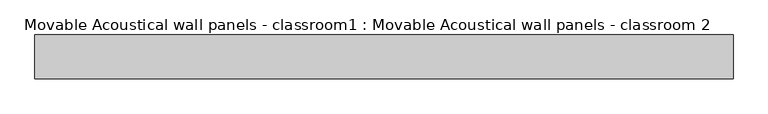
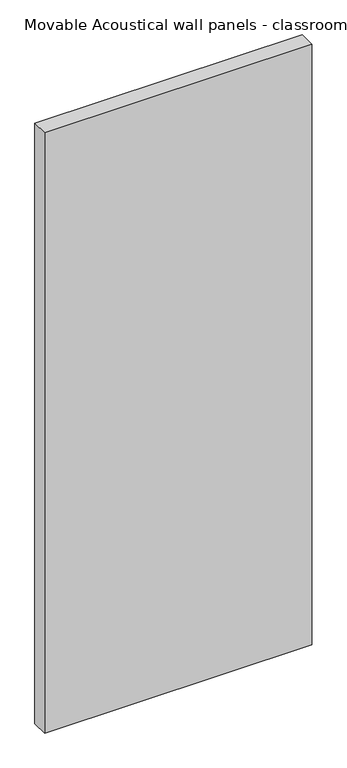
"""IFC4 building model written with IfcOpenShell, lengths in millimetres: proxy geometry, Movable Acoustical wall panels - classroom1 : Movable Acoustical wall panels - classroom 2."""

import ifcopenshell
import ifcopenshell.guid

model = None  # the IFC model being written
_history = None  # IfcOwnerHistory: only IFC2X3 demands one
_inside = {}  # id of a spatial element -> (the spatial element, [elements in it])
_under = {}  # id of a project, library or spatial element -> (it, [spatial elements below it])
_declared = {}  # id of a project -> (the project, [libraries it declares])
_typed = {}  # id of a type object -> (the type object, [elements of that type])
_made_of = {}  # id of a material, layer set ... -> (it, [elements and type objects made of it])


def new_model(schema):
    """Start an empty IFC model of exactly this schema.

    Asked for "IFC4X3", IfcOpenShell would pick the latest addendum, in which some entities
    have other attributes; the version numbers below select the first issue.
    IFC2X3 requires an IfcOwnerHistory on every rooted entity: one is made here for all.
    """
    global model, _history
    if schema == "IFC4X3":
        model = ifcopenshell.file(schema_version=(4, 3, 0, 0))
    else:
        model = ifcopenshell.file(schema=schema)
    _inside.clear()
    _under.clear()
    _declared.clear()
    _typed.clear()
    _made_of.clear()
    _history = None
    if model.schema == "IFC2X3":
        org = make("IfcOrganization", Name="unknown")
        user = make(
            "IfcPersonAndOrganization",
            ThePerson=make("IfcPerson", FamilyName="unknown"),
            TheOrganization=org,
        )
        app = make(
            "IfcApplication",
            ApplicationDeveloper=org,
            Version="unknown",
            ApplicationFullName="unknown",
            ApplicationIdentifier="unknown",
        )
        _history = make(
            "IfcOwnerHistory",
            OwningUser=user,
            OwningApplication=app,
            ChangeAction="ADDED",
            CreationDate=0,
        )
    return model


def make(cls, **values):
    """One entity of the class cls with the attributes given. An attribute that is None is left unset."""
    return model.create_entity(
        cls, **{name: value for name, value in values.items() if value is not None}
    )


def rooted(cls, **values):
    """An entity with a GlobalId (a new one), such as an element, a storey or a relation."""
    return make(cls, GlobalId=ifcopenshell.guid.new(), OwnerHistory=_history, **values)


def si_unit(unit_type, name, prefix=None):
    """IfcSIUnit, for example si_unit("LENGTHUNIT", "METRE", prefix="MILLI")."""
    return make("IfcSIUnit", UnitType=unit_type, Prefix=prefix, Name=name)


def assignment(units):
    """IfcUnitAssignment: the units of a project."""
    return None if units is None else make("IfcUnitAssignment", Units=units)


def point(xyz):
    """IfcCartesianPoint."""
    return None if xyz is None else make("IfcCartesianPoint", Coordinates=xyz)


def direction(xyz):
    """IfcDirection."""
    return None if xyz is None else make("IfcDirection", DirectionRatios=xyz)


def frame(location, z_axis=None, x_axis=None):
    """IfcAxis2Placement3D, a coordinate frame: its origin and axes. An axis left out is left unset."""
    return make(
        "IfcAxis2Placement3D",
        Location=point(location),
        Axis=direction(z_axis),
        RefDirection=direction(x_axis),
    )


def origin():
    """The frame at (0, 0, 0) with its axes left unset."""
    return frame((0.0, 0.0, 0.0))


def origin_with_axes():
    """The frame at (0, 0, 0) with the z axis (0, 0, 1) and the x axis (1, 0, 0) written out."""
    return frame((0.0, 0.0, 0.0), z_axis=(0.0, 0.0, 1.0), x_axis=(1.0, 0.0, 0.0))


def place(relative_to, where):
    """IfcLocalPlacement: puts the frame where relative to a parent placement (None: the world)."""
    return make(
        "IfcLocalPlacement", PlacementRelTo=relative_to, RelativePlacement=where
    )


def context(
    kind, dimensions, precision=None, world=None, true_north=None, identifier=None
):
    """IfcGeometricRepresentationContext, for example the 3D "Model" context."""
    return make(
        "IfcGeometricRepresentationContext",
        ContextIdentifier=identifier,
        ContextType=kind,
        CoordinateSpaceDimension=dimensions,
        Precision=precision,
        WorldCoordinateSystem=world,
        TrueNorth=true_north,
    )


def project(units=None, contexts=None):
    """IfcProject with its units and contexts."""
    return rooted(
        "IfcProject",
        Name="project",
        RepresentationContexts=contexts,
        UnitsInContext=assignment(units),
    )


def spatial(cls, under=None, at=None, **own):
    """A site, building, storey or space (cls), placed at a placement, below another one or the project."""
    s = rooted(cls, ObjectPlacement=at, **own)
    if under is not None:
        _under.setdefault(under.id(), (under, []))[1].append(s)
    return s


def polyline(points):
    """IfcPolyline through the points."""
    return make("IfcPolyline", Points=[point(p) for p in points])


def outline(outer, holes=None, kind="AREA"):
    """IfcArbitraryClosedProfileDef: a profile drawn as a closed curve; with holes, ...WithVoids."""
    if holes is None:
        return make("IfcArbitraryClosedProfileDef", ProfileType=kind, OuterCurve=outer)
    return make(
        "IfcArbitraryProfileDefWithVoids",
        ProfileType=kind,
        OuterCurve=outer,
        InnerCurves=holes,
    )


def extrude(swept, where, along, depth):
    """IfcExtrudedAreaSolid: the profile swept, set in the frame where, extruded along a direction by depth."""
    return make(
        "IfcExtrudedAreaSolid",
        SweptArea=swept,
        Position=where,
        ExtrudedDirection=direction(along),
        Depth=depth,
    )


def shape(context_of_items, identifier, shape_type, items):
    """IfcShapeRepresentation: the items that make up one representation, for example the "Body"."""
    return make(
        "IfcShapeRepresentation",
        ContextOfItems=context_of_items,
        RepresentationIdentifier=identifier,
        RepresentationType=shape_type,
        Items=items,
    )


def source(mapping_origin, context_of_items, identifier, shape_type, items):
    """IfcRepresentationMap: a shape defined once, which mapped items show again and again."""
    return make(
        "IfcRepresentationMap",
        MappingOrigin=mapping_origin,
        MappedRepresentation=shape(context_of_items, identifier, shape_type, items),
    )


def transform(
    local_origin,
    x_axis=None,
    y_axis=None,
    z_axis=None,
    scale=None,
    scale2=None,
    scale3=None,
    uniform=True,
):
    """IfcCartesianTransformationOperator3D, or its non-uniform kind. x_axis, y_axis, z_axis: its Axis1, 2, 3."""
    if uniform:
        return make(
            "IfcCartesianTransformationOperator3D",
            Axis1=direction(x_axis),
            Axis2=direction(y_axis),
            LocalOrigin=point(local_origin),
            Scale=scale,
            Axis3=direction(z_axis),
        )
    return make(
        "IfcCartesianTransformationOperator3DnonUniform",
        Axis1=direction(x_axis),
        Axis2=direction(y_axis),
        LocalOrigin=point(local_origin),
        Scale=scale,
        Axis3=direction(z_axis),
        Scale2=scale2,
        Scale3=scale3,
    )


def mapped(mapping_source, mapping_target):
    """IfcMappedItem: shows the shape of a source again, moved by a transform."""
    return make(
        "IfcMappedItem", MappingSource=mapping_source, MappingTarget=mapping_target
    )


def made_of(thing, what):
    """Note that an element or type object is made of a material, layer set ...; save() writes the relation."""
    if what is not None:
        _made_of.setdefault(what.id(), (what, []))[1].append(thing)
    return thing


def element(
    cls,
    number,
    at=None,
    inside=None,
    cuts=None,
    type_object=None,
    material=None,
    context=None,
    identifier="Body",
    shape_type=None,
    held_by="IfcProductDefinitionShape",
    body=None,
    shapes=None,
    **own,
):
    """One element of the class cls, such as IfcWall. Its Tag is "e" and its number.

    at: its placement. inside: the storey or other place that contains it. cuts: it is an
    opening in that element (IfcRelVoidsElement). A single representation is given by context,
    identifier, shape_type and body (its items); several are given by shapes. held_by: the class
    of the entity that holds the representations. save() writes the other relations.
    """
    e = rooted(cls, Tag="e%d" % number, ObjectPlacement=at, **own)
    if body is not None:
        shapes = [shape(context, identifier, shape_type, body)]
    if shapes is not None:
        e.Representation = make(held_by, Representations=shapes)
    if inside is not None:
        _inside.setdefault(inside.id(), (inside, []))[1].append(e)
    if cuts is not None:
        rooted(
            "IfcRelVoidsElement", RelatingBuildingElement=cuts, RelatedOpeningElement=e
        )
    if type_object is not None:
        _typed.setdefault(type_object.id(), (type_object, []))[1].append(e)
    return made_of(e, material)


def aggregate(whole, parts):
    """IfcRelAggregates: a whole, such as a stair, and the parts it consists of."""
    return rooted("IfcRelAggregates", RelatingObject=whole, RelatedObjects=parts)


def save(model, path):
    """Write the relations noted so far, then the file.

    IfcRelAggregates (storeys below a building ...), IfcRelContainedInSpatialStructure (elements
    in a storey), IfcRelDefinesByType, IfcRelAssociatesMaterial and IfcRelDeclares: one each for
    every whole, place, type object, material and project.
    """
    for whole, parts in _under.values():
        aggregate(whole, parts)
    for where, things in _inside.values():
        rooted(
            "IfcRelContainedInSpatialStructure",
            RelatedElements=things,
            RelatingStructure=where,
        )
    for kind, things in _typed.values():
        rooted("IfcRelDefinesByType", RelatedObjects=things, RelatingType=kind)
    for what, things in _made_of.values():
        rooted("IfcRelAssociatesMaterial", RelatedObjects=things, RelatingMaterial=what)
    for by, libraries in _declared.values():
        rooted("IfcRelDeclares", RelatingContext=by, RelatedDefinitions=libraries)
    model.write(path)


def movable_acoustical_wall_panels_classroom1_movable_acoustical_c505f3ae(model_context):
    return source(origin(), model_context, "Body", "SweptSolid", [
        extrude(outline(polyline([(1219.2, 0.0), (0.0, 0.0), (0.0, 76.2), (1219.2, 76.2), (1219.2, 0.0)])), origin_with_axes(), (0.0, 0.0, 1.0), 2895.6),
    ])


if __name__ == "__main__":
    model = new_model("IFC4")
    model_context = context("Model", 3, world=origin())
    ifc_project = project(units=[si_unit("LENGTHUNIT", "METRE", prefix="MILLI")], contexts=[model_context])
    site = spatial("IfcSite", under=ifc_project)
    building = spatial("IfcBuilding", under=site)
    placement = place(None, origin())
    movable_acoustical_wall_panels_classroom1_movable_acoustical_shape = movable_acoustical_wall_panels_classroom1_movable_acoustical_c505f3ae(model_context)
    element("IfcBuildingElementProxy", 1, Name="Movable Acoustical wall panels - classroom1 : Movable Acoustical wall panels - classroom 2", ObjectType="Movable Acoustical wall panels - classroom1 : Movable Acoustical wall panels - classroom 2", at=placement, inside=building, context=model_context, shape_type="MappedRepresentation", body=[
        mapped(movable_acoustical_wall_panels_classroom1_movable_acoustical_shape, transform((0.0, 0.0, 0.0), x_axis=(1.0, 0.0, 0.0), y_axis=(0.0, 1.0, 0.0), z_axis=(0.0, 0.0, 1.0))),
    ])
    save(model, "model.ifc")
